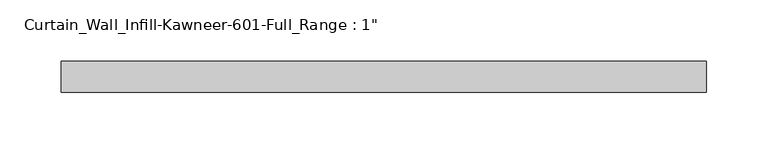
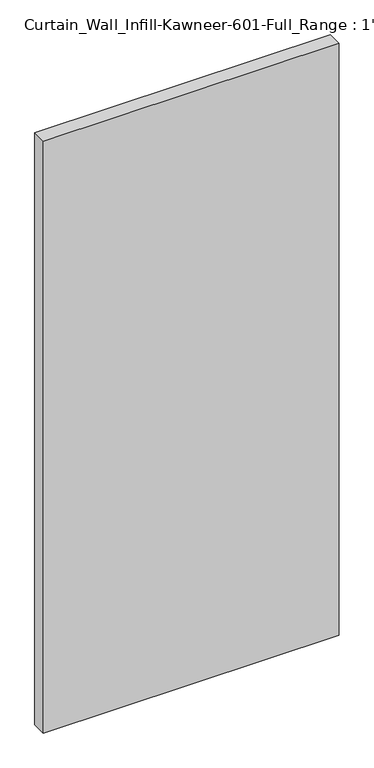
"""IFC4 building model written with IfcOpenShell, lengths in millimetres: plate geometry."""

from ifc_helpers import new_model, si_unit, origin, origin_with_axes, place, context, project, spatial, polyline, outline, extrude, source, transform, mapped, element, save


def plate_baa0498f(model_context):
    return source(origin(), model_context, "Body", "SweptSolid", [
        extrude(outline(polyline([(-263.525, -12.7), (-263.525, 12.7), (263.525, 12.7), (263.525, -12.7), (-263.525, -12.7)])), origin_with_axes(), (0.0, 0.0, 1.0), 1114.425),
    ])


if __name__ == "__main__":
    model = new_model("IFC4")
    model_context = context("Model", 3, world=origin())
    ifc_project = project(units=[si_unit("LENGTHUNIT", "METRE", prefix="MILLI")], contexts=[model_context])
    site = spatial("IfcSite", under=ifc_project)
    building = spatial("IfcBuilding", under=site)
    placement = place(None, origin())
    plate_shape = plate_baa0498f(model_context)
    element("IfcPlate", 1, ObjectType="Curtain_Wall_Infill-Kawneer-601-Full_Range : 1\"", at=placement, inside=building, context=model_context, shape_type="MappedRepresentation", body=[
        mapped(plate_shape, transform((0.0, 0.0, 0.0), x_axis=(1.0, 0.0, 0.0), y_axis=(0.0, 1.0, 0.0), z_axis=(0.0, 0.0, 1.0))),
    ])
    save(model, "model.ifc")
